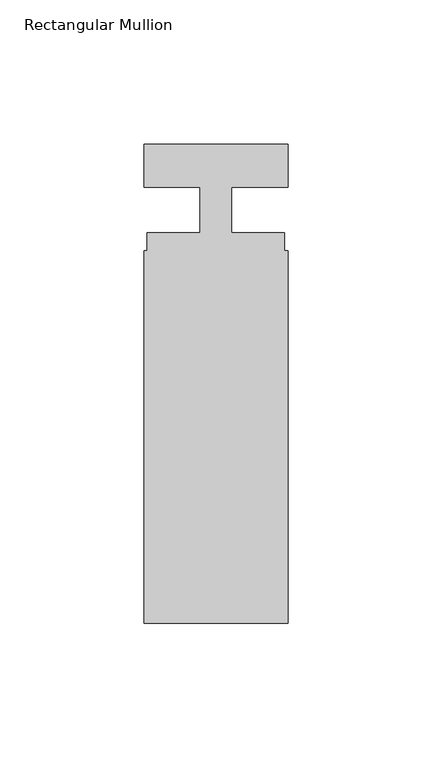
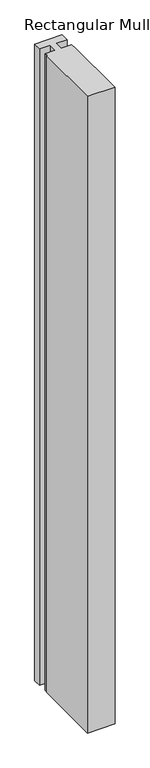
"""IFC4 building model written with IfcOpenShell, lengths in millimetres: member geometry, Rectangular Mullion."""

import ifcopenshell
import ifcopenshell.guid

model = None  # the IFC model being written
_history = None  # IfcOwnerHistory: only IFC2X3 demands one
_inside = {}  # id of a spatial element -> (the spatial element, [elements in it])
_under = {}  # id of a project, library or spatial element -> (it, [spatial elements below it])
_declared = {}  # id of a project -> (the project, [libraries it declares])
_typed = {}  # id of a type object -> (the type object, [elements of that type])
_made_of = {}  # id of a material, layer set ... -> (it, [elements and type objects made of it])


def new_model(schema):
    """Start an empty IFC model of exactly this schema.

    Asked for "IFC4X3", IfcOpenShell would pick the latest addendum, in which some entities
    have other attributes; the version numbers below select the first issue.
    IFC2X3 requires an IfcOwnerHistory on every rooted entity: one is made here for all.
    """
    global model, _history
    if schema == "IFC4X3":
        model = ifcopenshell.file(schema_version=(4, 3, 0, 0))
    else:
        model = ifcopenshell.file(schema=schema)
    _inside.clear()
    _under.clear()
    _declared.clear()
    _typed.clear()
    _made_of.clear()
    _history = None
    if model.schema == "IFC2X3":
        org = make("IfcOrganization", Name="unknown")
        user = make(
            "IfcPersonAndOrganization",
            ThePerson=make("IfcPerson", FamilyName="unknown"),
            TheOrganization=org,
        )
        app = make(
            "IfcApplication",
            ApplicationDeveloper=org,
            Version="unknown",
            ApplicationFullName="unknown",
            ApplicationIdentifier="unknown",
        )
        _history = make(
            "IfcOwnerHistory",
            OwningUser=user,
            OwningApplication=app,
            ChangeAction="ADDED",
            CreationDate=0,
        )
    return model


def make(cls, **values):
    """One entity of the class cls with the attributes given. An attribute that is None is left unset."""
    return model.create_entity(
        cls, **{name: value for name, value in values.items() if value is not None}
    )


def rooted(cls, **values):
    """An entity with a GlobalId (a new one), such as an element, a storey or a relation."""
    return make(cls, GlobalId=ifcopenshell.guid.new(), OwnerHistory=_history, **values)


def si_unit(unit_type, name, prefix=None):
    """IfcSIUnit, for example si_unit("LENGTHUNIT", "METRE", prefix="MILLI")."""
    return make("IfcSIUnit", UnitType=unit_type, Prefix=prefix, Name=name)


def assignment(units):
    """IfcUnitAssignment: the units of a project."""
    return None if units is None else make("IfcUnitAssignment", Units=units)


def point(xyz):
    """IfcCartesianPoint."""
    return None if xyz is None else make("IfcCartesianPoint", Coordinates=xyz)


def direction(xyz):
    """IfcDirection."""
    return None if xyz is None else make("IfcDirection", DirectionRatios=xyz)


def frame(location, z_axis=None, x_axis=None):
    """IfcAxis2Placement3D, a coordinate frame: its origin and axes. An axis left out is left unset."""
    return make(
        "IfcAxis2Placement3D",
        Location=point(location),
        Axis=direction(z_axis),
        RefDirection=direction(x_axis),
    )


def origin():
    """The frame at (0, 0, 0) with its axes left unset."""
    return frame((0.0, 0.0, 0.0))


def place(relative_to, where):
    """IfcLocalPlacement: puts the frame where relative to a parent placement (None: the world)."""
    return make(
        "IfcLocalPlacement", PlacementRelTo=relative_to, RelativePlacement=where
    )


def context(
    kind, dimensions, precision=None, world=None, true_north=None, identifier=None
):
    """IfcGeometricRepresentationContext, for example the 3D "Model" context."""
    return make(
        "IfcGeometricRepresentationContext",
        ContextIdentifier=identifier,
        ContextType=kind,
        CoordinateSpaceDimension=dimensions,
        Precision=precision,
        WorldCoordinateSystem=world,
        TrueNorth=true_north,
    )


def project(units=None, contexts=None):
    """IfcProject with its units and contexts."""
    return rooted(
        "IfcProject",
        Name="project",
        RepresentationContexts=contexts,
        UnitsInContext=assignment(units),
    )


def spatial(cls, under=None, at=None, **own):
    """A site, building, storey or space (cls), placed at a placement, below another one or the project."""
    s = rooted(cls, ObjectPlacement=at, **own)
    if under is not None:
        _under.setdefault(under.id(), (under, []))[1].append(s)
    return s


def polyline(points):
    """IfcPolyline through the points."""
    return make("IfcPolyline", Points=[point(p) for p in points])


def outline(outer, holes=None, kind="AREA"):
    """IfcArbitraryClosedProfileDef: a profile drawn as a closed curve; with holes, ...WithVoids."""
    if holes is None:
        return make("IfcArbitraryClosedProfileDef", ProfileType=kind, OuterCurve=outer)
    return make(
        "IfcArbitraryProfileDefWithVoids",
        ProfileType=kind,
        OuterCurve=outer,
        InnerCurves=holes,
    )


def extrude(swept, where, along, depth):
    """IfcExtrudedAreaSolid: the profile swept, set in the frame where, extruded along a direction by depth."""
    return make(
        "IfcExtrudedAreaSolid",
        SweptArea=swept,
        Position=where,
        ExtrudedDirection=direction(along),
        Depth=depth,
    )


def shape(context_of_items, identifier, shape_type, items):
    """IfcShapeRepresentation: the items that make up one representation, for example the "Body"."""
    return make(
        "IfcShapeRepresentation",
        ContextOfItems=context_of_items,
        RepresentationIdentifier=identifier,
        RepresentationType=shape_type,
        Items=items,
    )


def source(mapping_origin, context_of_items, identifier, shape_type, items):
    """IfcRepresentationMap: a shape defined once, which mapped items show again and again."""
    return make(
        "IfcRepresentationMap",
        MappingOrigin=mapping_origin,
        MappedRepresentation=shape(context_of_items, identifier, shape_type, items),
    )


def transform(
    local_origin,
    x_axis=None,
    y_axis=None,
    z_axis=None,
    scale=None,
    scale2=None,
    scale3=None,
    uniform=True,
):
    """IfcCartesianTransformationOperator3D, or its non-uniform kind. x_axis, y_axis, z_axis: its Axis1, 2, 3."""
    if uniform:
        return make(
            "IfcCartesianTransformationOperator3D",
            Axis1=direction(x_axis),
            Axis2=direction(y_axis),
            LocalOrigin=point(local_origin),
            Scale=scale,
            Axis3=direction(z_axis),
        )
    return make(
        "IfcCartesianTransformationOperator3DnonUniform",
        Axis1=direction(x_axis),
        Axis2=direction(y_axis),
        LocalOrigin=point(local_origin),
        Scale=scale,
        Axis3=direction(z_axis),
        Scale2=scale2,
        Scale3=scale3,
    )


def mapped(mapping_source, mapping_target):
    """IfcMappedItem: shows the shape of a source again, moved by a transform."""
    return make(
        "IfcMappedItem", MappingSource=mapping_source, MappingTarget=mapping_target
    )


def made_of(thing, what):
    """Note that an element or type object is made of a material, layer set ...; save() writes the relation."""
    if what is not None:
        _made_of.setdefault(what.id(), (what, []))[1].append(thing)
    return thing


def element(
    cls,
    number,
    at=None,
    inside=None,
    cuts=None,
    type_object=None,
    material=None,
    context=None,
    identifier="Body",
    shape_type=None,
    held_by="IfcProductDefinitionShape",
    body=None,
    shapes=None,
    **own,
):
    """One element of the class cls, such as IfcWall. Its Tag is "e" and its number.

    at: its placement. inside: the storey or other place that contains it. cuts: it is an
    opening in that element (IfcRelVoidsElement). A single representation is given by context,
    identifier, shape_type and body (its items); several are given by shapes. held_by: the class
    of the entity that holds the representations. save() writes the other relations.
    """
    e = rooted(cls, Tag="e%d" % number, ObjectPlacement=at, **own)
    if body is not None:
        shapes = [shape(context, identifier, shape_type, body)]
    if shapes is not None:
        e.Representation = make(held_by, Representations=shapes)
    if inside is not None:
        _inside.setdefault(inside.id(), (inside, []))[1].append(e)
    if cuts is not None:
        rooted(
            "IfcRelVoidsElement", RelatingBuildingElement=cuts, RelatedOpeningElement=e
        )
    if type_object is not None:
        _typed.setdefault(type_object.id(), (type_object, []))[1].append(e)
    return made_of(e, material)


def aggregate(whole, parts):
    """IfcRelAggregates: a whole, such as a stair, and the parts it consists of."""
    return rooted("IfcRelAggregates", RelatingObject=whole, RelatedObjects=parts)


def save(model, path):
    """Write the relations noted so far, then the file.

    IfcRelAggregates (storeys below a building ...), IfcRelContainedInSpatialStructure (elements
    in a storey), IfcRelDefinesByType, IfcRelAssociatesMaterial and IfcRelDeclares: one each for
    every whole, place, type object, material and project.
    """
    for whole, parts in _under.values():
        aggregate(whole, parts)
    for where, things in _inside.values():
        rooted(
            "IfcRelContainedInSpatialStructure",
            RelatedElements=things,
            RelatingStructure=where,
        )
    for kind, things in _typed.values():
        rooted("IfcRelDefinesByType", RelatedObjects=things, RelatingType=kind)
    for what, things in _made_of.values():
        rooted("IfcRelAssociatesMaterial", RelatedObjects=things, RelatingMaterial=what)
    for by, libraries in _declared.values():
        rooted("IfcRelDeclares", RelatingContext=by, RelatedDefinitions=libraries)
    model.write(path)


def rectangular_mullion_d224308d(model_context):
    return source(origin(), model_context, "Body", "SweptSolid", [
        extrude(outline(polyline([(25.0, -140.3), (-25.0, -140.3), (-25.0, -11.0), (-23.9, -11.0), (-23.9, -4.8), (-5.4999998, -4.8), (-5.4999998, 11.0), (-25.0, 11.0), (-25.0, 26.0), (25.0, 26.0), (25.0, 11.0), (5.5, 11.0), (5.5, -4.8), (23.9, -4.8), (23.9, -11.0), (25.0, -11.0), (25.0, -140.3)])), frame((0.0, 0.0, -1225.0), z_axis=(0.0, 0.0, 1.0), x_axis=(1.0, 0.0, 0.0)), (0.0, 0.0, 1.0), 1225.0),
    ])


if __name__ == "__main__":
    model = new_model("IFC4")
    model_context = context("Model", 3, world=origin())
    ifc_project = project(units=[si_unit("LENGTHUNIT", "METRE", prefix="MILLI")], contexts=[model_context])
    site = spatial("IfcSite", under=ifc_project)
    building = spatial("IfcBuilding", under=site)
    placement = place(None, origin())
    rectangular_mullion_shape = rectangular_mullion_d224308d(model_context)
    element("IfcMember", 1, ObjectType="Rectangular Mullion", at=placement, inside=building, context=model_context, shape_type="MappedRepresentation", body=[
        mapped(rectangular_mullion_shape, transform((0.0, 0.0, 0.0), x_axis=(1.0, 0.0, 0.0), y_axis=(0.0, 1.0, 0.0), z_axis=(0.0, 0.0, 1.0))),
    ])
    save(model, "model.ifc")
